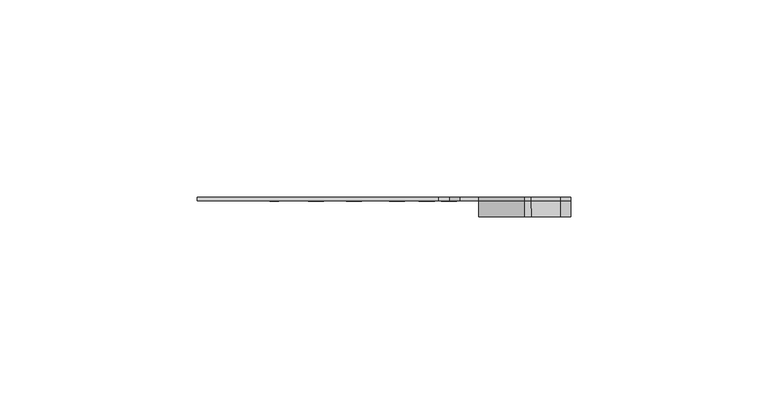
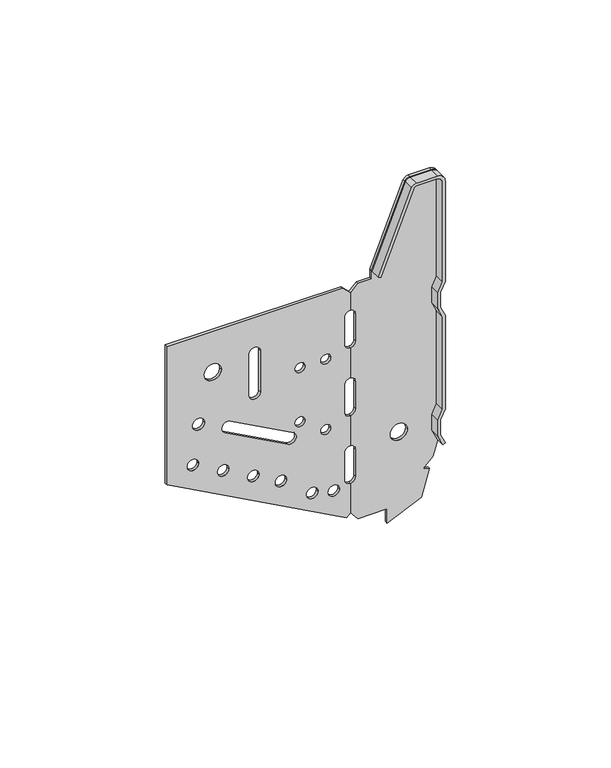
"""IFC4 building model written with IfcOpenShell, lengths in millimetres: proxy geometry."""

from ifc_helpers import new_model, si_unit, point, frame, frame_2d, origin, place, context, project, spatial, polyline, circle_curve, trimmed, segment, composite_curve, outline, extrude, source, transform, mapped, element, save
from ifc_brep_helpers import plane_surface, cylinder_surface, revolved_surface, advanced_brep


def generic_models_86b874f7(model_context):
    return source(origin(), model_context, "Body", "SolidModel", [
        extrude(outline(composite_curve([segment(polyline([(86.7879141, -64.0418901), (35.7879141, -64.0418901), (1.7168713, -1.2901446), (2.9958061, 0.0), (13.7883477, 0.0)]), True, "CONTINUOUS"), segment(trimmed(circle_curve(frame_2d((15.811541, -0.0418901)), 2.0236269), [point((13.7883477, 0.0))], [point((15.811541, -2.065517))], True, "CARTESIAN"), True, "CONTINUOUS"), segment(polyline([(15.811541, -2.065517), (25.7642871, -2.065517)]), True, "CONTINUOUS"), segment(trimmed(circle_curve(frame_2d((25.7642871, -0.0418901)), 2.0236269), [point((25.7642871, -2.065517))], [point((27.7874805, 0.0))], True, "CARTESIAN"), True, "CONTINUOUS"), segment(polyline([(27.7874805, 0.0), (38.7883477, 0.0)]), True, "CONTINUOUS"), segment(trimmed(circle_curve(frame_2d((40.811541, -0.0418901)), 2.0236269), [point((38.7883477, 0.0))], [point((40.811541, -2.065517))], True, "CARTESIAN"), True, "CONTINUOUS"), segment(polyline([(40.811541, -2.065517), (50.7642871, -2.065517)]), True, "CONTINUOUS"), segment(trimmed(circle_curve(frame_2d((50.7642871, -0.0418901)), 2.0236269), [point((50.7642871, -2.065517))], [point((52.7874805, 0.0))], True, "CARTESIAN"), True, "CONTINUOUS"), segment(polyline([(52.7874805, 0.0), (63.7883477, 0.0)]), True, "CONTINUOUS"), segment(trimmed(circle_curve(frame_2d((65.811541, -0.0418901)), 2.0236269), [point((63.7883477, 0.0))], [point((65.811541, -2.065517))], True, "CARTESIAN"), True, "CONTINUOUS"), segment(polyline([(65.811541, -2.065517), (75.7642871, -2.065517)]), True, "CONTINUOUS"), segment(trimmed(circle_curve(frame_2d((75.7642871, -0.0418901)), 2.0236269), [point((75.7642871, -2.065517))], [point((77.7874805, 0.0))], True, "CARTESIAN"), True, "CONTINUOUS"), segment(polyline([(77.7874805, 0.0), (84.1423042, 0.0), (86.7879141, -2.6456099), (86.7879141, -64.0418901)]), True, "CONTINUOUS")], self_intersect=False), holes=[composite_curve([segment(trimmed(circle_curve(frame_2d((71.7327822, -47.9979045)), 3.0), [point((71.7327822, -50.9979045))], [point((71.7327822, -44.9979045))], True, "CARTESIAN"), True, "CONTINUOUS"), segment(trimmed(circle_curve(frame_2d((71.7327822, -47.9979045)), 3.0), [point((71.7327822, -44.9979045))], [point((71.7327822, -50.9979045))], True, "CARTESIAN"), True, "CONTINUOUS")], self_intersect=False), composite_curve([segment(trimmed(circle_curve(frame_2d((54.2327822, -52.9517366)), 2.0901535), [point((54.2327822, -55.0418901))], [point((54.2327822, -50.861583))], True, "CARTESIAN"), True, "CONTINUOUS"), segment(trimmed(circle_curve(frame_2d((54.2327822, -52.9517366)), 2.0901535), [point((54.2327822, -50.861583))], [point((54.2327822, -55.0418901))], True, "CARTESIAN"), True, "CONTINUOUS")], self_intersect=False), composite_curve([segment(trimmed(circle_curve(frame_2d((39.9004085, -54.9517366)), 2.0), [point((39.9004085, -56.9517366))], [point((39.9004085, -52.9517366))], True, "CARTESIAN"), True, "CONTINUOUS"), segment(trimmed(circle_curve(frame_2d((39.9004085, -54.9517366)), 2.0), [point((39.9004085, -52.9517366))], [point((39.9004085, -56.9517366))], True, "CARTESIAN"), True, "CONTINUOUS")], self_intersect=False), composite_curve([segment(trimmed(circle_curve(frame_2d((34.1745521, -44.4059048)), 2.0), [point((34.1745521, -46.4059048))], [point((34.1745521, -42.4059048))], True, "CARTESIAN"), True, "CONTINUOUS"), segment(trimmed(circle_curve(frame_2d((34.1745521, -44.4059048)), 2.0), [point((34.1745521, -42.4059048))], [point((34.1745521, -46.4059048))], True, "CARTESIAN"), True, "CONTINUOUS")], self_intersect=False), composite_curve([segment(trimmed(circle_curve(frame_2d((28.4486956, -33.860073)), 2.0), [point((28.4486956, -35.860073))], [point((28.4486956, -31.860073))], True, "CARTESIAN"), True, "CONTINUOUS"), segment(trimmed(circle_curve(frame_2d((28.4486956, -33.860073)), 2.0), [point((28.4486956, -31.860073))], [point((28.4486956, -35.860073))], True, "CARTESIAN"), True, "CONTINUOUS")], self_intersect=False), composite_curve([segment(trimmed(circle_curve(frame_2d((23.1999939, -24.1930605)), 2.0), [point((23.1999939, -26.1930605))], [point((23.1999939, -22.1930605))], True, "CARTESIAN"), True, "CONTINUOUS"), segment(trimmed(circle_curve(frame_2d((23.1999939, -24.1930605)), 2.0), [point((23.1999939, -22.1930605))], [point((23.1999939, -26.1930605))], True, "CARTESIAN"), True, "CONTINUOUS")], self_intersect=False), composite_curve([segment(trimmed(circle_curve(frame_2d((14.990033, -13.2891371)), 2.0), [point((14.990033, -15.2891371))], [point((14.990033, -11.2891371))], True, "CARTESIAN"), True, "CONTINUOUS"), segment(trimmed(circle_curve(frame_2d((14.990033, -13.2891371)), 2.0), [point((14.990033, -11.2891371))], [point((14.990033, -15.2891371))], True, "CARTESIAN"), True, "CONTINUOUS")], self_intersect=False), composite_curve([segment(trimmed(circle_curve(frame_2d((13.1899255, -5.7323275)), 2.0), [point((13.1899255, -7.7323275))], [point((13.1899255, -3.7323275))], True, "CARTESIAN"), True, "CONTINUOUS"), segment(trimmed(circle_curve(frame_2d((13.1899255, -5.7323275)), 2.0), [point((13.1899255, -3.7323275))], [point((13.1899255, -7.7323275))], True, "CARTESIAN"), True, "CONTINUOUS")], self_intersect=False), composite_curve([segment(trimmed(circle_curve(frame_2d((62.7327822, -17.5622042)), 1.75), [point((62.7327822, -19.3122042))], [point((62.7327822, -15.8122042))], True, "CARTESIAN"), True, "CONTINUOUS"), segment(trimmed(circle_curve(frame_2d((62.7327822, -17.5622042)), 1.75), [point((62.7327822, -15.8122042))], [point((62.7327822, -19.3122042))], True, "CARTESIAN"), True, "CONTINUOUS")], self_intersect=False), composite_curve([segment(trimmed(circle_curve(frame_2d((62.7327822, -8.5501839)), 1.75), [point((62.7327822, -10.3001839))], [point((62.7327822, -6.8001839))], True, "CARTESIAN"), True, "CONTINUOUS"), segment(trimmed(circle_curve(frame_2d((62.7327822, -8.5501839)), 1.75), [point((62.7327822, -6.8001839))], [point((62.7327822, -10.3001839))], True, "CARTESIAN"), True, "CONTINUOUS")], self_intersect=False), composite_curve([segment(trimmed(circle_curve(frame_2d((42.7327822, -17.5622042)), 1.75), [point((42.7327822, -19.3122042))], [point((42.7327822, -15.8122042))], True, "CARTESIAN"), True, "CONTINUOUS"), segment(trimmed(circle_curve(frame_2d((42.7327822, -17.5622042)), 1.75), [point((42.7327822, -15.8122042))], [point((42.7327822, -19.3122042))], True, "CARTESIAN"), True, "CONTINUOUS")], self_intersect=False), composite_curve([segment(trimmed(circle_curve(frame_2d((36.7327822, -8.5501839)), 1.75), [point((36.7327822, -10.3001839))], [point((36.7327822, -6.8001839))], True, "CARTESIAN"), True, "CONTINUOUS"), segment(trimmed(circle_curve(frame_2d((36.7327822, -8.5501839)), 1.75), [point((36.7327822, -6.8001839))], [point((36.7327822, -10.3001839))], True, "CARTESIAN"), True, "CONTINUOUS")], self_intersect=False), composite_curve([segment(polyline([(73.7091552, -31.3773702), (58.7564091, -31.3773702)]), True, "CONTINUOUS"), segment(trimmed(circle_curve(frame_2d((58.7564091, -33.4009971)), 2.0236269), [point((58.7564091, -31.3773702))], [point((58.7564091, -35.4246241))], True, "CARTESIAN"), True, "CONTINUOUS"), segment(polyline([(58.7564091, -35.4246241), (73.7091552, -35.4246241)]), True, "CONTINUOUS"), segment(trimmed(circle_curve(frame_2d((73.7091552, -33.4009971)), 2.0236269), [point((73.7091552, -35.4246241))], [point((73.7091552, -31.3773702))], True, "CARTESIAN"), True, "CONTINUOUS")], self_intersect=False), composite_curve([segment(polyline([(51.4516898, -41.8530352), (39.524466, -19.8855798)]), True, "CONTINUOUS"), segment(trimmed(circle_curve(frame_2d((37.7460635, -20.8511629)), 2.0236269), [point((39.524466, -19.8855798))], [point((35.9676611, -21.816746))], True, "CARTESIAN"), True, "CONTINUOUS"), segment(polyline([(35.9676611, -21.816746), (47.8948849, -43.7842015)]), True, "CONTINUOUS"), segment(trimmed(circle_curve(frame_2d((49.6732874, -42.8186183)), 2.0236269), [point((47.8948849, -43.7842015))], [point((51.4516898, -41.8530352))], True, "CARTESIAN"), True, "CONTINUOUS")], self_intersect=False)]), frame((0.0, -1.0, 0.0), z_axis=(0.0, 1.0, 0.0), x_axis=(0.0, 0.0, 1.0)), (0.0, 0.0, 1.0), 1.0),
        extrude(outline(composite_curve([segment(polyline([(84.0622595, 0.0), (77.7844652, 0.0)]), True, "CONTINUOUS"), segment(trimmed(circle_curve(frame_2d((75.7642871, -0.1180954)), 2.0236269), [point((77.7844652, 0.0))], [point((75.7642871, 1.9055315))], True, "CARTESIAN"), True, "CONTINUOUS"), segment(polyline([(75.7642871, 1.9055315), (65.811541, 1.9055315)]), True, "CONTINUOUS"), segment(trimmed(circle_curve(frame_2d((65.811541, -0.1180954)), 2.0236269), [point((65.811541, 1.9055315))], [point((63.791363, 0.0))], True, "CARTESIAN"), True, "CONTINUOUS"), segment(polyline([(63.791363, 0.0), (52.7844652, 0.0)]), True, "CONTINUOUS"), segment(trimmed(circle_curve(frame_2d((50.7642871, -0.1180954)), 2.0236269), [point((52.7844652, 0.0))], [point((50.7642871, 1.9055315))], True, "CARTESIAN"), True, "CONTINUOUS"), segment(polyline([(50.7642871, 1.9055315), (40.811541, 1.9055315)]), True, "CONTINUOUS"), segment(trimmed(circle_curve(frame_2d((40.811541, -0.1180954)), 2.0236269), [point((40.811541, 1.9055315))], [point((38.791363, 0.0))], True, "CARTESIAN"), True, "CONTINUOUS"), segment(polyline([(38.791363, 0.0), (27.7844652, 0.0)]), True, "CONTINUOUS"), segment(trimmed(circle_curve(frame_2d((25.7642871, -0.1180954)), 2.0236269), [point((27.7844652, 0.0))], [point((25.7642871, 1.9055315))], True, "CARTESIAN"), True, "CONTINUOUS"), segment(polyline([(25.7642871, 1.9055315), (15.811541, 1.9055315)]), True, "CONTINUOUS"), segment(trimmed(circle_curve(frame_2d((15.811541, -0.1180954)), 2.0236269), [point((15.811541, 1.9055315))], [point((13.791363, 0.0))], True, "CARTESIAN"), True, "CONTINUOUS"), segment(polyline([(13.791363, 0.0), (3.0713493, 0.0), (-0.0785585, 2.6148105), (-0.0785585, 12.8819046), (-5.2720859, 12.8819046), (0.0, 24.863918), (9.7369165, 27.6440668), (10.4002352, 25.3209256), (13.7197849, 28.8020773), (20.5671451, 30.8819046), (24.0671451, 29.2573418), (29.5086831, 29.2573418), (33.0086831, 30.8819046), (67.5671451, 30.8819046), (71.0671451, 29.2573418), (76.5086831, 29.2573418), (80.0086831, 30.8819046), (117.0879141, 30.8819046)]), True, "CONTINUOUS"), segment(trimmed(circle_curve(frame_2d((117.0879141, 28.1819046)), 2.7), [point((117.0879141, 30.8819046))], [point((119.7879141, 28.1819046))], False, "CARTESIAN"), True, "CONTINUOUS"), segment(polyline([(119.7879141, 28.1819046), (119.7879141, 20.823721)]), True, "CONTINUOUS"), segment(trimmed(circle_curve(frame_2d((117.7879141, 20.823721)), 2.0), [point((119.7879141, 20.823721))], [point((118.7242264, 19.0564295))], False, "CARTESIAN"), True, "CONTINUOUS"), segment(polyline([(118.7242264, 19.0564295), (89.7879141, 7.4819046), (86.7879141, 7.4819046), (86.7879141, 2.7256546), (84.0622595, 0.0)]), True, "CONTINUOUS")], self_intersect=False), holes=[composite_curve([segment(trimmed(circle_curve(frame_2d((27.0, 16.9581099)), 3.0), [point((27.0, 13.9581099))], [point((27.0, 19.9581099))], True, "CARTESIAN"), True, "CONTINUOUS"), segment(trimmed(circle_curve(frame_2d((27.0, 16.9581099)), 3.0), [point((27.0, 19.9581099))], [point((27.0, 13.9581099))], True, "CARTESIAN"), True, "CONTINUOUS")], self_intersect=False)]), frame((0.0, -1.0, 0.0), z_axis=(0.0, 1.0, 0.0), x_axis=(0.0, 0.0, 1.0)), (0.0, 0.0, 1.0), 1.0),
        advanced_brep(
        [(7.4819046, -5.0, 89.7879141), (8.4103813, -5.0, 89.4165234), (19.9616579, -5.0, 118.2947151), (20.823721, -5.0, 118.7879141), (28.1819046, -5.0, 118.7879141), (29.8819046, -5.0, 117.0879141), (29.8819046, -5.0, 80.2294522), (28.2573418, -5.0, 76.7294522), (28.2573418, -5.0, 70.846376), (29.8819046, -5.0, 67.346376), (29.8819046, -5.0, 33.2294522), (28.2573418, -5.0, 29.7294522), (28.2573418, -5.0, 23.846376), (29.9748523, -5.0, 20.146127), (30.8819046, -5.0, 20.5671451), (29.2573418, -5.0, 24.0671451), (29.2573418, -5.0, 29.5086831), (30.8819046, -5.0, 33.0086831), (30.8819046, -5.0, 67.5671451), (29.2573418, -5.0, 71.0671451), (29.2573418, -5.0, 76.5086831), (30.8819046, -5.0, 80.0086831), (30.8819046, -5.0, 117.0879141), (28.1819046, -5.0, 119.7879141), (20.9780513, -5.0, 119.7879141), (19.0564295, -5.0, 118.7242264), (7.4819046, -1.0, 89.7879141), (19.0564295, -1.0, 118.7242264), (20.823721, -1.0, 119.7879141), (28.1819046, -1.0, 119.7879141), (30.8819046, -1.0, 117.0879141), (30.8819046, -1.0, 80.0086831), (29.2573418, -1.0, 76.5086831), (29.2573418, -1.0, 71.0671451), (30.8819046, -1.0, 67.5671451), (30.8819046, -1.0, 33.0086831), (29.2573418, -1.0, 29.5086831), (29.2573418, -1.0, 24.0671451), (30.8819046, -1.0, 20.5671451), (29.9748523, -1.0, 20.146127), (28.2573418, -1.0, 23.846376), (28.2573418, -1.0, 29.7294522), (29.8819046, -1.0, 33.2294522), (29.8819046, -1.0, 67.346376), (28.2573418, -1.0, 70.846376), (28.2573418, -1.0, 76.7294522), (29.8819046, -1.0, 80.2294522), (29.8819046, -1.0, 117.0879141), (28.1819046, -1.0, 118.7879141), (20.9780513, -1.0, 118.7879141), (19.9616579, -1.0, 118.2947151), (8.4103813, -1.0, 89.4165234)],
        [
            (0, 1),
            (1, 2),
            (2, 3, circle_curve(frame((20.823721, -5.0, 117.7879141), z_axis=(0.0, 1.0, 0.0), x_axis=(1.0, 0.0, 0.0)), 1.0)),
            (3, 4),
            (4, 5, circle_curve(frame((28.1819046, -5.0, 117.0879141), z_axis=(0.0, 1.0, 0.0), x_axis=(1.0, 0.0, 0.0)), 1.7)),
            (5, 6),
            (6, 7),
            (7, 8),
            (8, 9),
            (9, 10),
            (10, 11),
            (11, 12),
            (12, 13),
            (13, 14),
            (14, 15),
            (15, 16),
            (16, 17),
            (17, 18),
            (18, 19),
            (19, 20),
            (20, 21),
            (21, 22),
            (22, 23, circle_curve(frame((28.1819046, -5.0, 117.0879141), z_axis=(0.0, -1.0, 0.0), x_axis=(1.0, 0.0, 0.0)), 2.7)),
            (23, 24),
            (24, 25, circle_curve(frame((20.823721, -5.0, 117.7879141), z_axis=(0.0, -1.0, 0.0), x_axis=(1.0, 0.0, 0.0)), 2.0)),
            (25, 0),
            (26, 27),
            (27, 28, circle_curve(frame((20.823721, -1.0, 117.7879141), z_axis=(0.0, 1.0, 0.0), x_axis=(1.0, 0.0, 0.0)), 2.0)),
            (28, 29),
            (29, 30, circle_curve(frame((28.1819046, -1.0, 117.0879141), z_axis=(0.0, 1.0, 0.0), x_axis=(1.0, 0.0, 0.0)), 2.7)),
            (30, 31),
            (31, 32),
            (32, 33),
            (33, 34),
            (34, 35),
            (35, 36),
            (36, 37),
            (37, 38),
            (38, 39),
            (39, 40),
            (40, 41),
            (41, 42),
            (42, 43),
            (43, 44),
            (44, 45),
            (45, 46),
            (46, 47),
            (47, 48, circle_curve(frame((28.1819046, -1.0, 117.0879141), z_axis=(0.0, -1.0, 0.0), x_axis=(1.0, 0.0, 0.0)), 1.7)),
            (48, 49),
            (49, 50, circle_curve(frame((20.823721, -1.0, 117.7879141), z_axis=(0.0, -1.0, 0.0), x_axis=(1.0, 0.0, 0.0)), 1.0)),
            (50, 51),
            (51, 26),
            (0, 26),
            (51, 1),
            (50, 2),
            (3, 49),
            (48, 4),
            (5, 47),
            (46, 6),
            (45, 7),
            (44, 8),
            (43, 9),
            (42, 10),
            (17, 35),
            (34, 18),
            (33, 19),
            (32, 20),
            (31, 21),
            (30, 22),
            (23, 29),
            (28, 24),
            (25, 27),
            (41, 11),
            (40, 12),
            (39, 13),
            (38, 14),
            (37, 15),
            (36, 16),
        ],
        [
            plane_surface(frame((7.5475818, -5.0, 89.7616432), z_axis=(0.0, -1.0, 0.0), x_axis=(0.9284766908852564, 0.0, -0.37139067635411105))),
            plane_surface(frame((7.5475818, -1.0, 89.7616432), z_axis=(0.0, 1.0, 0.0), x_axis=(-0.9284766908852564, 0.0, 0.37139067635411105))),
            plane_surface(frame((7.4819046, -5.0, 89.7879141), z_axis=(-0.37139067635411105, 0.0, -0.9284766908852564), x_axis=(0.0, 1.0, 0.0))),
            plane_surface(frame((8.4103813, -5.0, 89.4165234), z_axis=(0.9284766908852599, 0.0, -0.3713906763541024), x_axis=(0.0, 1.0, 0.0))),
            plane_surface(frame((20.9780513, -5.0, 118.7879141), z_axis=(0.0, 0.0, -1.0), x_axis=(0.0, 1.0, 0.0))),
            plane_surface(frame((29.8819046, -5.0, 117.0879141), z_axis=(-1.0, 0.0, 0.0), x_axis=(0.0, 1.0, 0.0))),
            plane_surface(frame((29.8819046, -5.0, 80.2294522), z_axis=(-0.9070522369469565, 0.0, 0.42101809871966595), x_axis=(0.0, 1.0, 0.0))),
            plane_surface(frame((28.2573418, -5.0, 76.7294522), z_axis=(-1.0, 0.0, 0.0), x_axis=(0.0, 1.0, 0.0))),
            plane_surface(frame((28.2573418, -5.0, 70.846376), z_axis=(-0.9070522369470003, 0.0, -0.4210180987195716), x_axis=(0.0, 1.0, 0.0))),
            plane_surface(frame((29.8819046, -5.0, 67.346376), z_axis=(-1.0, 0.0, 0.0), x_axis=(0.0, 1.0, 0.0))),
            plane_surface(frame((30.8819046, -5.0, 33.0086831), z_axis=(1.0, 0.0, 0.0), x_axis=(0.0, 1.0, 0.0))),
            plane_surface(frame((30.8819046, -5.0, 67.5671451), z_axis=(0.9070522369469982, 0.0, 0.42101809871957613), x_axis=(0.0, 1.0, 0.0))),
            plane_surface(frame((29.2573418, -5.0, 71.0671451), z_axis=(1.0, 0.0, 0.0), x_axis=(0.0, 1.0, 0.0))),
            plane_surface(frame((29.2573418, -5.0, 76.5086831), z_axis=(0.9070522369469544, 0.0, -0.4210180987196706), x_axis=(0.0, 1.0, 0.0))),
            plane_surface(frame((30.8819046, -5.0, 80.0086831), z_axis=(1.0, 0.0, 0.0), x_axis=(0.0, 1.0, 0.0))),
            plane_surface(frame((28.1819046, -5.0, 119.7879141), z_axis=(0.0, 0.0, 1.0), x_axis=(0.0, 1.0, 0.0))),
            plane_surface(frame((19.0564295, -5.0, 118.7242264), z_axis=(-0.9284766908852595, 0.0, 0.37139067635410344), x_axis=(0.0, 1.0, 0.0))),
            plane_surface(frame((29.8819046, -5.0, 33.2294522), z_axis=(-0.9070522369470322, 0.0, 0.42101809871950296), x_axis=(0.0, 1.0, 0.0))),
            plane_surface(frame((28.2573418, -5.0, 29.7294522), z_axis=(-1.0, 0.0, 0.0), x_axis=(0.0, 1.0, 0.0))),
            plane_surface(frame((28.2573418, -5.0, 23.846376), z_axis=(-0.907052236947065, 0.0, -0.421018098719432), x_axis=(0.0, 1.0, 0.0))),
            plane_surface(frame((29.9748523, -5.0, 20.146127), z_axis=(0.4210180987194197, 0.0, -0.9070522369470708), x_axis=(0.0, 1.0, 0.0))),
            plane_surface(frame((30.8819046, -5.0, 20.5671451), z_axis=(0.9070522369470649, 0.0, 0.42101809871943213), x_axis=(0.0, 1.0, 0.0))),
            plane_surface(frame((29.2573418, -5.0, 24.0671451), z_axis=(1.0, 0.0, 0.0), x_axis=(0.0, 1.0, 0.0))),
            plane_surface(frame((29.2573418, -5.0, 29.5086831), z_axis=(0.9070522369470291, 0.0, -0.42101809871950946), x_axis=(0.0, 1.0, 0.0))),
            revolved_surface(polyline([(21.823721, -1.0, 117.7879141), (21.823721, -5.0, 117.7879141)]), (20.823721, -1.0, 117.7879141), (0.0, 1.0, 0.0)),
            revolved_surface(polyline([(29.8819046, -1.0, 117.0879141), (29.8819046, -5.0, 117.0879141)]), (28.1819046, -1.0, 117.0879141), (0.0, 1.0, 0.0)),
            cylinder_surface(frame((28.1819046, -1.0, 117.0879141), z_axis=(0.0, -1.0, 0.0), x_axis=(1.0, 0.0, 0.0)), 2.7),
            cylinder_surface(frame((20.823721, -1.0, 117.7879141), z_axis=(0.0, -1.0, 0.0), x_axis=(1.0, 0.0, 0.0)), 2.0),
        ],
        [
            (0, [[1, 2, 3, 4, 5, 6, 7, 8, 9, 10, 11, 12, 13, 14, 15, 16, 17, 18, 19, 20, 21, 22, 23, 24, 25, 26]]),
            (1, [[27, 28, 29, 30, 31, 32, 33, 34, 35, 36, 37, 38, 39, 40, 41, 42, 43, 44, 45, 46, 47, 48, 49, 50, 51, 52]]),
            (2, [[-1, 53, -52, 54]]),
            (3, [[-2, -54, -51, 55]]),
            (4, [[-4, 56, -49, 57]]),
            (5, [[-6, 58, -47, 59]]),
            (6, [[-7, -59, -46, 60]]),
            (7, [[-8, -60, -45, 61]]),
            (8, [[-9, -61, -44, 62]]),
            (9, [[-10, -62, -43, 63]]),
            (10, [[-18, 64, -35, 65]]),
            (11, [[-19, -65, -34, 66]]),
            (12, [[-20, -66, -33, 67]]),
            (13, [[-21, -67, -32, 68]]),
            (14, [[-22, -68, -31, 69]]),
            (15, [[-24, 70, -29, 71]]),
            (16, [[-26, 72, -27, -53]]),
            (17, [[-11, -63, -42, 73]]),
            (18, [[-12, -73, -41, 74]]),
            (19, [[-13, -74, -40, 75]]),
            (20, [[-14, -75, -39, 76]]),
            (21, [[-15, -76, -38, 77]]),
            (22, [[-16, -77, -37, 78]]),
            (23, [[-17, -78, -36, -64]]),
            (24, [[-3, -55, -50, -56]]),
            (25, [[-5, -57, -48, -58]]),
            (26, [[-23, -69, -30, -70]]),
            (27, [[-25, -71, -28, -72]]),
        ],
    ),
    ])


if __name__ == "__main__":
    model = new_model("IFC4")
    model_context = context("Model", 3, world=origin())
    ifc_project = project(units=[si_unit("LENGTHUNIT", "METRE", prefix="MILLI")], contexts=[model_context])
    site = spatial("IfcSite", under=ifc_project)
    building = spatial("IfcBuilding", under=site)
    placement = place(None, origin())
    generic_models_shape = generic_models_86b874f7(model_context)
    element("IfcBuildingElementProxy", 1, Name="Generic Models", at=placement, inside=building, context=model_context, shape_type="MappedRepresentation", body=[
        mapped(generic_models_shape, transform((0.0, 0.0, 0.0), x_axis=(1.0, 0.0, 0.0), y_axis=(0.0, 1.0, 0.0), z_axis=(0.0, 0.0, 1.0))),
    ])
    save(model, "model.ifc")
